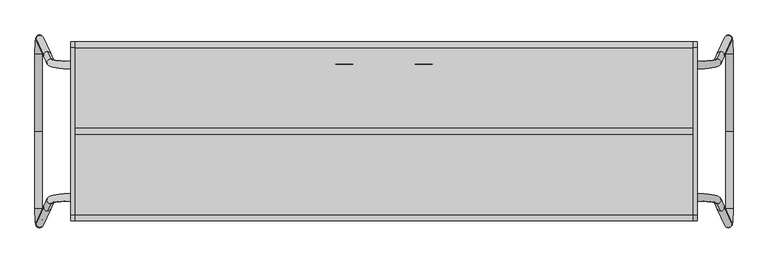
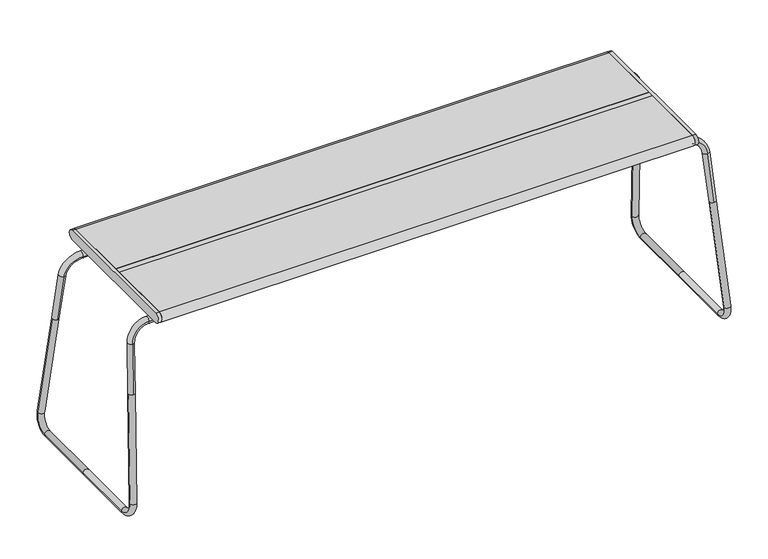
"""IFC4 building model written with IfcOpenShell, lengths in millimetres: furniture geometry."""

from ifc_helpers import new_model, si_unit, point, frame, frame_2d, origin, place, context, project, spatial, polyline, circle_curve, ellipse_curve, trimmed, segment, composite_curve, outline, extrude, source, transform, mapped, element, save
from ifc_brep_helpers import plane_surface, cylinder_surface, revolved_surface, advanced_brep


def furniture_2e3d0519(model_context):
    return source(origin(), model_context, "Body", "SolidModel", [
        advanced_brep(
        [(652.0893833, 146.9221139, 6.9830612), (666.0631114, 146.9221139, 7.8403365), (666.0631114, 0.0, 7.8403365), (652.0893833, 0.0, 6.9830612), (649.7617667, 145.7756717, 273.5549205), (663.9839473, 176.6603461, 41.7310526), (650.0102191, 176.6603461, 40.8737772), (635.7880386, 145.7756717, 272.6976452), (642.718402, 152.7145925, 274.0472525), (642.8314033, 138.8367508, 272.2053132), (666.0631114, -146.9221139, 7.8403365), (652.0893833, -146.9221139, 6.9830612), (635.7880386, -145.7756717, 272.6976452), (650.0102191, -176.6603461, 40.8737772), (663.9839473, -176.6603461, 41.7310526), (649.7617667, -145.7756717, 273.5549205), (642.718402, -152.7145925, 274.0472525), (642.8314033, -138.8367508, 272.2053132), (-7.1607797, -128.3127882, 418.0298446), (-7.0477784, -114.4349465, 416.1879053), (596.2033179, -133.1406739, 418.6706267), (596.3163192, -119.2628322, 416.8286874), (636.2412568, -124.5256874, 379.6257775), (636.1282556, -138.4035291, 381.4677169), (-7.1607797, 128.3127882, 418.0298446), (-7.0477784, 114.4349465, 416.1879053), (596.3163192, 119.2628322, 416.8286874), (596.2033179, 133.1406739, 418.6706267), (636.1282556, 138.4035291, 381.4677169), (636.2412568, 124.5256874, 379.6257775)],
        [
            (0, 1, circle_curve(frame((659.0762473, 146.9221139, 7.4116989), z_axis=(0.0, -1.0, 0.0), x_axis=(-0.9981234407813635, 0.0, -0.06123395269596682)), 7.0)),
            (1, 2),
            (2, 3, circle_curve(frame((659.0762473, 0.0, 7.4116989), z_axis=(0.0, 1.0, 0.0), x_axis=(-0.9981234407813635, 0.0, -0.06123395269596682)), 7.0)),
            (3, 0),
            (1, 0, circle_curve(frame((659.0762473, 146.9221139, 7.4116989), z_axis=(0.0, -1.0, 0.0), x_axis=(-0.9981234407813635, 0.0, -0.06123395269596682)), 7.0)),
            (3, 2, circle_curve(frame((659.0762473, 0.0, 7.4116989), z_axis=(0.0, 1.0, 0.0), x_axis=(-0.9981234407813635, 0.0, -0.06123395269596682)), 7.0)),
            (4, 5),
            (5, 6, circle_curve(frame((656.9970832, 176.6603461, 41.3024149), z_axis=(-0.060699650153115445, -0.13181445227108246, 0.9894142219736706), x_axis=(-0.9981234407813636, 0.0, -0.06123395269596687)), 7.0)),
            (6, 7),
            (7, 8, circle_curve(frame((642.7749026, 145.7756717, 273.1262828), z_axis=(0.060699650153115445, 0.13181445227108246, -0.9894142219736706), x_axis=(-0.9981234407813636, 0.0, -0.06123395269596687)), 7.0)),
            (8, 4, circle_curve(frame((642.7749026, 145.7756717, 273.1262828), z_axis=(0.060699650153115445, 0.13181445227108246, -0.9894142219736706), x_axis=(-0.9981234407813636, 0.0, -0.06123395269596687)), 7.0)),
            (4, 9, circle_curve(frame((642.7749026, 145.7756717, 273.1262828), z_axis=(0.060699650153115445, 0.13181445227108246, -0.9894142219736706), x_axis=(-0.9981234407813636, 0.0, -0.06123395269596687)), 7.0)),
            (9, 7, circle_curve(frame((642.7749026, 145.7756717, 273.1262828), z_axis=(0.060699650153115445, 0.13181445227108246, -0.9894142219736706), x_axis=(-0.9981234407813636, 0.0, -0.06123395269596687)), 7.0)),
            (6, 5, circle_curve(frame((656.9970832, 176.6603461, 41.3024149), z_axis=(-0.060699650153115445, -0.13181445227108246, 0.9894142219736706), x_axis=(-0.9981234407813636, 0.0, -0.06123395269596687)), 7.0)),
            (0, 6, circle_curve(frame((650.2523647, 146.9221139, 36.9267644), z_axis=(0.9981234407813636, 0.0, 0.061233952695966834), x_axis=(-0.00807151993501225, 0.9912744071005135, 0.1315670946455238)), 30.0)),
            (5, 1, circle_curve(frame((664.2260929, 146.9221139, 37.7840397), z_axis=(-0.9981234407813636, 0.0, -0.061233952695966834), x_axis=(-0.00807151993501225, 0.9912744071005135, 0.1315670946455238)), 30.0)),
            (10, 11, circle_curve(frame((659.0762473, -146.9221139, 7.4116989), z_axis=(0.0, 1.0, 0.0), x_axis=(-0.9981234407813635, 0.0, -0.06123395269596682)), 7.0)),
            (11, 3),
            (2, 10),
            (11, 10, circle_curve(frame((659.0762473, -146.9221139, 7.4116989), z_axis=(0.0, 1.0, 0.0), x_axis=(-0.9981234407813635, 0.0, -0.06123395269596682)), 7.0)),
            (12, 13),
            (13, 14, circle_curve(frame((656.9970832, -176.6603461, 41.3024149), z_axis=(-0.060699650153115445, 0.13181445227108246, 0.9894142219736706), x_axis=(-0.9981234407813636, 0.0, -0.06123395269596687)), 7.0)),
            (14, 15),
            (15, 16, circle_curve(frame((642.7749026, -145.7756717, 273.1262828), z_axis=(0.060699650153115445, -0.13181445227108246, -0.9894142219736706), x_axis=(-0.9981234407813636, 0.0, -0.06123395269596687)), 7.0)),
            (16, 12, circle_curve(frame((642.7749026, -145.7756717, 273.1262828), z_axis=(0.060699650153115445, -0.13181445227108246, -0.9894142219736706), x_axis=(-0.9981234407813636, 0.0, -0.06123395269596687)), 7.0)),
            (12, 17, circle_curve(frame((642.7749026, -145.7756717, 273.1262828), z_axis=(0.060699650153115445, -0.13181445227108246, -0.9894142219736706), x_axis=(-0.9981234407813636, 0.0, -0.06123395269596687)), 7.0)),
            (17, 15, circle_curve(frame((642.7749026, -145.7756717, 273.1262828), z_axis=(0.060699650153115445, -0.13181445227108246, -0.9894142219736706), x_axis=(-0.9981234407813636, 0.0, -0.06123395269596687)), 7.0)),
            (14, 13, circle_curve(frame((656.9970832, -176.6603461, 41.3024149), z_axis=(-0.060699650153115445, 0.13181445227108246, 0.9894142219736706), x_axis=(-0.9981234407813636, 0.0, -0.06123395269596687)), 7.0)),
            (10, 14, circle_curve(frame((664.2260929, -146.9221139, 37.7840397), z_axis=(-0.9981234407813636, 0.0, -0.061233952695966834), x_axis=(-0.00807151993501225, -0.9912744071005135, 0.1315670946455238)), 30.0)),
            (13, 11, circle_curve(frame((650.2523647, -146.9221139, 36.9267644), z_axis=(0.9981234407813636, 0.0, 0.061233952695966834), x_axis=(-0.00807151993501225, -0.9912744071005135, 0.1315670946455238)), 30.0)),
            (18, 19, circle_curve(frame((-7.104279, -121.3738674, 417.108875), z_axis=(-0.9999674247523961, 0.00800135178399419, -0.0010619810215162875), x_axis=(0.008071519935011484, 0.9912744071005137, -0.13156709464552196)), 7.0)),
            (19, 18, circle_curve(frame((-7.104279, -121.3738674, 417.108875), z_axis=(-0.9999674247523961, 0.00800135178399419, -0.0010619810215162875), x_axis=(0.008071519935011484, 0.9912744071005137, -0.13156709464552196)), 7.0)),
            (18, 20),
            (20, 21, circle_curve(frame((596.2598186, -126.201753, 417.7496571), z_axis=(-0.9999674247523961, 0.00800135178399419, -0.0010619810215162875), x_axis=(0.008071519935011484, 0.9912744071005137, -0.13156709464552196)), 7.0)),
            (21, 19),
            (21, 20, circle_curve(frame((596.2598186, -126.201753, 417.7496571), z_axis=(-0.9999674247523961, 0.00800135178399419, -0.0010619810215162875), x_axis=(0.008071519935011484, 0.9912744071005137, -0.13156709464552196)), 7.0)),
            (22, 23, circle_curve(frame((636.1847562, -131.4646083, 380.5467472), z_axis=(0.06069965015311546, -0.13181445227108082, -0.9894142219736709), x_axis=(0.008071519935011566, 0.9912744071005137, -0.13156709464552205)), 7.0)),
            (23, 16),
            (17, 22),
            (23, 22, circle_curve(frame((636.1847562, -131.4646083, 380.5467472), z_axis=(0.06069965015311546, -0.13181445227108082, -0.9894142219736709), x_axis=(0.008071519935011566, 0.9912744071005137, -0.13156709464552205)), 7.0)),
            (21, 22, circle_curve(frame((596.3163192, -124.5256874, 377.1764194), z_axis=(0.00807151993501147, 0.9912744071005138, -0.13156709464552202), x_axis=(0.0, 0.13157138061582319, 0.9913066991616906)), 40.0)),
            (23, 20, circle_curve(frame((596.2033179, -138.4035291, 379.0183588), z_axis=(-0.00807151993501147, -0.9912744071005138, 0.13156709464552202), x_axis=(0.0, 0.13157138061582319, 0.9913066991616906)), 40.0)),
            (24, 25, circle_curve(frame((-7.104279, 121.3738674, 417.108875), z_axis=(-0.9999674247523961, -0.00800135178399419, -0.0010619810215162875), x_axis=(0.008071519935011484, -0.9912744071005137, -0.13156709464552196)), 7.0)),
            (25, 24, circle_curve(frame((-7.104279, 121.3738674, 417.108875), z_axis=(-0.9999674247523961, -0.00800135178399419, -0.0010619810215162875), x_axis=(0.008071519935011484, -0.9912744071005137, -0.13156709464552196)), 7.0)),
            (25, 26),
            (26, 27, circle_curve(frame((596.2598186, 126.201753, 417.7496571), z_axis=(-0.9999674247523961, -0.00800135178399419, -0.0010619810215162875), x_axis=(0.008071519935011484, -0.9912744071005137, -0.13156709464552196)), 7.0)),
            (27, 24),
            (27, 26, circle_curve(frame((596.2598186, 126.201753, 417.7496571), z_axis=(-0.9999674247523961, -0.00800135178399419, -0.0010619810215162875), x_axis=(0.008071519935011484, -0.9912744071005137, -0.13156709464552196)), 7.0)),
            (28, 29, circle_curve(frame((636.1847562, 131.4646083, 380.5467472), z_axis=(0.06069965015311546, 0.13181445227108082, -0.9894142219736709), x_axis=(0.008071519935011566, -0.9912744071005137, -0.13156709464552205)), 7.0)),
            (29, 9),
            (8, 28),
            (29, 28, circle_curve(frame((636.1847562, 131.4646083, 380.5467472), z_axis=(0.06069965015311546, 0.13181445227108082, -0.9894142219736709), x_axis=(0.008071519935011566, -0.9912744071005137, -0.13156709464552205)), 7.0)),
            (27, 28, circle_curve(frame((596.2033179, 138.4035291, 379.0183588), z_axis=(-0.00807151993501147, 0.9912744071005138, 0.13156709464552202), x_axis=(0.0, -0.13157138061582319, 0.9913066991616906)), 40.0)),
            (29, 26, circle_curve(frame((596.3163192, 124.5256874, 377.1764194), z_axis=(0.00807151993501147, -0.9912744071005138, -0.13156709464552202), x_axis=(0.0, -0.13157138061582319, 0.9913066991616906)), 40.0)),
        ],
        [
            cylinder_surface(frame((659.0762473, 146.9221139, 7.4116989), z_axis=(0.0, 1.0, 0.0), x_axis=(-0.9981234407813635, 0.0, -0.06123395269596682)), 7.0),
            cylinder_surface(frame((642.7749026, 145.7756717, 273.1262828), z_axis=(-0.06069965015311546, -0.1318144522710825, 0.9894142219736708), x_axis=(-0.9981234407813636, 0.0, -0.06123395269596687)), 7.0),
            revolved_surface(trimmed(ellipse_curve(frame((656.9970832, 176.6603461, 41.3024149), z_axis=(-0.060699650153115424, -0.13181445227108227, 0.9894142219736707), x_axis=(-0.9981234407813636, 0.0, -0.06123395269596684)), 7.0, 7.0), [point((663.9839473, 176.6603461, 41.7310526))], [point((650.0102191, 176.6603461, 40.8737772))], True, "CARTESIAN"), (-72.3956945, 146.9221139, -7.4070277), (-0.9981234407813636, 0.0, -0.061233952695966834)),
            revolved_surface(trimmed(ellipse_curve(frame((656.9970832, 176.6603461, 41.3024149), z_axis=(-0.060699650153115424, -0.13181445227108227, 0.9894142219736707), x_axis=(-0.9981234407813636, 0.0, -0.06123395269596684)), 7.0, 7.0), [point((650.0102191, 176.6603461, 40.8737772))], [point((663.9839473, 176.6603461, 41.7310526))], True, "CARTESIAN"), (-72.3956945, 146.9221139, -7.4070277), (-0.9981234407813636, 0.0, -0.061233952695966834)),
            cylinder_surface(frame((659.0762473, -146.9221139, 7.4116989), z_axis=(0.0, -1.0, 0.0), x_axis=(-0.9981234407813635, 0.0, -0.06123395269596682)), 7.0),
            cylinder_surface(frame((642.7749026, -145.7756717, 273.1262828), z_axis=(-0.06069965015311546, 0.1318144522710825, 0.9894142219736708), x_axis=(-0.9981234407813636, 0.0, -0.06123395269596687)), 7.0),
            revolved_surface(trimmed(ellipse_curve(frame((656.9970832, -176.6603461, 41.3024149), z_axis=(-0.060699650153115424, 0.13181445227108227, 0.9894142219736707), x_axis=(-0.9981234407813636, 0.0, -0.06123395269596684)), 7.0, 7.0), [point((650.0102191, -176.6603461, 40.8737772))], [point((663.9839473, -176.6603461, 41.7310526))], True, "CARTESIAN"), (-72.3956945, -146.9221139, -7.4070277), (0.9981234407813636, 0.0, 0.061233952695966834)),
            revolved_surface(trimmed(ellipse_curve(frame((656.9970832, -176.6603461, 41.3024149), z_axis=(-0.060699650153115424, 0.13181445227108227, 0.9894142219736707), x_axis=(-0.9981234407813636, 0.0, -0.06123395269596684)), 7.0, 7.0), [point((663.9839473, -176.6603461, 41.7310526))], [point((650.0102191, -176.6603461, 40.8737772))], True, "CARTESIAN"), (-72.3956945, -146.9221139, -7.4070277), (0.9981234407813636, 0.0, 0.061233952695966834)),
            plane_surface(frame((-0.3527836, 703.839379, 277.3191951), z_axis=(-0.9999674247523962, 0.008001351783994175, -0.0010619810215162988), x_axis=(0.00807151993501147, 0.9912744071005137, -0.13156709464552202))),
            cylinder_surface(frame((-7.104279, -121.3738674, 417.108875), z_axis=(-0.9999674247523961, 0.00800135178399419, -0.0010619810215162875), x_axis=(0.008071519935011484, 0.9912744071005137, -0.13156709464552196)), 7.0),
            cylinder_surface(frame((636.1847562, -131.4646083, 380.5467472), z_axis=(-0.06069965015311546, 0.13181445227108082, 0.9894142219736709), x_axis=(0.008071519935011566, 0.9912744071005137, -0.13156709464552205)), 7.0),
            revolved_surface(trimmed(ellipse_curve(frame((596.2598186, -126.201753, 417.7496571), z_axis=(-0.9999674247523963, 0.008001351783994012, -0.0010619810215176484), x_axis=(0.008071519935011486, 0.9912744071005138, -0.131567094645522)), 7.0, 7.0), [point((596.3163192, -119.2628322, 416.8286874))], [point((596.2033179, -133.1406739, 418.6706267))], True, "CARTESIAN"), (603.011314, 697.6957795, 268.0469102), (0.00807151993501147, 0.9912744071005138, -0.13156709464552202)),
            revolved_surface(trimmed(ellipse_curve(frame((596.2598186, -126.201753, 417.7496571), z_axis=(-0.9999674247523963, 0.008001351783994012, -0.0010619810215176484), x_axis=(0.008071519935011486, 0.9912744071005138, -0.131567094645522)), 7.0, 7.0), [point((596.2033179, -133.1406739, 418.6706267))], [point((596.3163192, -119.2628322, 416.8286874))], True, "CARTESIAN"), (603.011314, 697.6957795, 268.0469102), (0.00807151993501147, 0.9912744071005138, -0.13156709464552202)),
            plane_surface(frame((-0.3527836, -703.839379, 277.3191951), z_axis=(-0.9999674247523962, -0.008001351783994175, -0.001061981021516299), x_axis=(0.008071519935011472, -0.9912744071005138, -0.13156709464552205))),
            cylinder_surface(frame((-7.104279, 121.3738674, 417.108875), z_axis=(-0.9999674247523961, -0.00800135178399419, -0.0010619810215162875), x_axis=(0.008071519935011484, -0.9912744071005137, -0.13156709464552196)), 7.0),
            cylinder_surface(frame((636.1847562, 131.4646083, 380.5467472), z_axis=(-0.06069965015311546, -0.13181445227108082, 0.9894142219736709), x_axis=(0.008071519935011566, -0.9912744071005137, -0.13156709464552205)), 7.0),
            revolved_surface(trimmed(ellipse_curve(frame((596.2598186, 126.201753, 417.7496571), z_axis=(-0.9999674247523963, -0.008001351783994012, -0.0010619810215176484), x_axis=(0.008071519935011486, -0.9912744071005138, -0.131567094645522)), 7.0, 7.0), [point((596.2033179, 133.1406739, 418.6706267))], [point((596.3163192, 119.2628322, 416.8286874))], True, "CARTESIAN"), (603.011314, -697.6957795, 268.0469102), (-0.00807151993501147, 0.9912744071005138, 0.13156709464552202)),
            revolved_surface(trimmed(ellipse_curve(frame((596.2598186, 126.201753, 417.7496571), z_axis=(-0.9999674247523963, -0.008001351783994012, -0.0010619810215176484), x_axis=(0.008071519935011486, -0.9912744071005138, -0.131567094645522)), 7.0, 7.0), [point((596.3163192, 119.2628322, 416.8286874))], [point((596.2033179, 133.1406739, 418.6706267))], True, "CARTESIAN"), (603.011314, -697.6957795, 268.0469102), (-0.00807151993501147, 0.9912744071005138, 0.13156709464552202)),
        ],
        [
            (0, [[1, 2, 3, 4]]),
            (0, [[-2, 5, -4, 6]]),
            (1, [[7, 8, 9, 10, 11]]),
            (1, [[-7, 12, 13, -9, 14]]),
            (2, [[-1, 15, -8, 16]]),
            (3, [[-5, -16, -14, -15]]),
            (4, [[17, 18, -3, 19]]),
            (4, [[-18, 20, -19, -6]]),
            (5, [[21, 22, 23, 24, 25]]),
            (5, [[-21, 26, 27, -23, 28]]),
            (6, [[-17, 29, -22, 30]]),
            (7, [[-20, -30, -28, -29]]),
            (8, [[31, 32]]),
            (9, [[-31, 33, 34, 35]]),
            (9, [[-32, -35, 36, -33]]),
            (10, [[37, 38, -24, -27, 39]]),
            (10, [[-38, 40, -39, -26, -25]]),
            (11, [[-36, 41, -40, 42]]),
            (12, [[-34, -42, -37, -41]]),
            (13, [[43, 44]]),
            (14, [[-44, 45, 46, 47]]),
            (14, [[-43, -47, 48, -45]]),
            (15, [[49, 50, -12, -11, 51]]),
            (15, [[-50, 52, -51, -10, -13]]),
            (16, [[-48, 53, -52, 54]]),
            (17, [[-46, -54, -49, -53]]),
        ],
    ),
        advanced_brep(
        [(-666.0631114, 146.9221139, 7.8403365), (-652.0893833, 146.9221139, 6.9830612), (-652.0893833, 0.0, 6.9830612), (-666.0631114, 0.0, 7.8403365), (-635.7880386, 145.7756717, 272.6976452), (-650.0102191, 176.6603461, 40.8737772), (-663.9839473, 176.6603461, 41.7310526), (-649.7617667, 145.7756717, 273.5549205), (-642.718402, 152.7145925, 274.0472525), (-642.8314033, 138.8367508, 272.2053132), (-652.0893833, -146.9221139, 6.9830612), (-666.0631114, -146.9221139, 7.8403365), (-649.7617667, -145.7756717, 273.5549205), (-663.9839473, -176.6603461, 41.7310526), (-650.0102191, -176.6603461, 40.8737772), (-635.7880386, -145.7756717, 272.6976452), (-642.718402, -152.7145925, 274.0472525), (-642.8314033, -138.8367508, 272.2053132), (7.1607797, -128.3127882, 418.0298446), (7.0477784, -114.4349465, 416.1879053), (-596.3163192, -119.2628322, 416.8286874), (-596.2033179, -133.1406739, 418.6706267), (-636.1282556, -138.4035291, 381.4677169), (-636.2412568, -124.5256874, 379.6257775), (7.1607797, 128.3127882, 418.0298446), (7.0477784, 114.4349465, 416.1879053), (-596.2033179, 133.1406739, 418.6706267), (-596.3163192, 119.2628322, 416.8286874), (-636.2412568, 124.5256874, 379.6257775), (-636.1282556, 138.4035291, 381.4677169)],
        [
            (0, 1, circle_curve(frame((-659.0762473, 146.9221139, 7.4116989), z_axis=(0.0, -1.0, 0.0), x_axis=(0.9981234407813635, 0.0, -0.06123395269596682)), 7.0)),
            (1, 2),
            (2, 3, circle_curve(frame((-659.0762473, 0.0, 7.4116989), z_axis=(0.0, 1.0, 0.0), x_axis=(0.9981234407813635, 0.0, -0.06123395269596682)), 7.0)),
            (3, 0),
            (1, 0, circle_curve(frame((-659.0762473, 146.9221139, 7.4116989), z_axis=(0.0, -1.0, 0.0), x_axis=(0.9981234407813635, 0.0, -0.06123395269596682)), 7.0)),
            (3, 2, circle_curve(frame((-659.0762473, 0.0, 7.4116989), z_axis=(0.0, 1.0, 0.0), x_axis=(0.9981234407813635, 0.0, -0.06123395269596682)), 7.0)),
            (4, 5),
            (5, 6, circle_curve(frame((-656.9970832, 176.6603461, 41.3024149), z_axis=(0.060699650153115445, -0.13181445227108246, 0.9894142219736706), x_axis=(0.9981234407813636, 0.0, -0.06123395269596687)), 7.0)),
            (6, 7),
            (7, 8, circle_curve(frame((-642.7749026, 145.7756717, 273.1262828), z_axis=(-0.060699650153115445, 0.13181445227108246, -0.9894142219736706), x_axis=(0.9981234407813636, 0.0, -0.06123395269596687)), 7.0)),
            (8, 4, circle_curve(frame((-642.7749026, 145.7756717, 273.1262828), z_axis=(-0.060699650153115445, 0.13181445227108246, -0.9894142219736706), x_axis=(0.9981234407813636, 0.0, -0.06123395269596687)), 7.0)),
            (4, 9, circle_curve(frame((-642.7749026, 145.7756717, 273.1262828), z_axis=(-0.060699650153115445, 0.13181445227108246, -0.9894142219736706), x_axis=(0.9981234407813636, 0.0, -0.06123395269596687)), 7.0)),
            (9, 7, circle_curve(frame((-642.7749026, 145.7756717, 273.1262828), z_axis=(-0.060699650153115445, 0.13181445227108246, -0.9894142219736706), x_axis=(0.9981234407813636, 0.0, -0.06123395269596687)), 7.0)),
            (6, 5, circle_curve(frame((-656.9970832, 176.6603461, 41.3024149), z_axis=(0.060699650153115445, -0.13181445227108246, 0.9894142219736706), x_axis=(0.9981234407813636, 0.0, -0.06123395269596687)), 7.0)),
            (0, 6, circle_curve(frame((-664.2260929, 146.9221139, 37.7840397), z_axis=(0.9981234407813636, 0.0, -0.061233952695966834), x_axis=(0.00807151993501225, 0.9912744071005135, 0.1315670946455238)), 30.0)),
            (5, 1, circle_curve(frame((-650.2523647, 146.9221139, 36.9267644), z_axis=(-0.9981234407813636, 0.0, 0.061233952695966834), x_axis=(0.00807151993501225, 0.9912744071005135, 0.1315670946455238)), 30.0)),
            (10, 11, circle_curve(frame((-659.0762473, -146.9221139, 7.4116989), z_axis=(0.0, 1.0, 0.0), x_axis=(0.9981234407813635, 0.0, -0.06123395269596682)), 7.0)),
            (11, 3),
            (2, 10),
            (11, 10, circle_curve(frame((-659.0762473, -146.9221139, 7.4116989), z_axis=(0.0, 1.0, 0.0), x_axis=(0.9981234407813635, 0.0, -0.06123395269596682)), 7.0)),
            (12, 13),
            (13, 14, circle_curve(frame((-656.9970832, -176.6603461, 41.3024149), z_axis=(0.060699650153115445, 0.13181445227108246, 0.9894142219736706), x_axis=(0.9981234407813636, 0.0, -0.06123395269596687)), 7.0)),
            (14, 15),
            (15, 16, circle_curve(frame((-642.7749026, -145.7756717, 273.1262828), z_axis=(-0.060699650153115445, -0.13181445227108246, -0.9894142219736706), x_axis=(0.9981234407813636, 0.0, -0.06123395269596687)), 7.0)),
            (16, 12, circle_curve(frame((-642.7749026, -145.7756717, 273.1262828), z_axis=(-0.060699650153115445, -0.13181445227108246, -0.9894142219736706), x_axis=(0.9981234407813636, 0.0, -0.06123395269596687)), 7.0)),
            (12, 17, circle_curve(frame((-642.7749026, -145.7756717, 273.1262828), z_axis=(-0.060699650153115445, -0.13181445227108246, -0.9894142219736706), x_axis=(0.9981234407813636, 0.0, -0.06123395269596687)), 7.0)),
            (17, 15, circle_curve(frame((-642.7749026, -145.7756717, 273.1262828), z_axis=(-0.060699650153115445, -0.13181445227108246, -0.9894142219736706), x_axis=(0.9981234407813636, 0.0, -0.06123395269596687)), 7.0)),
            (14, 13, circle_curve(frame((-656.9970832, -176.6603461, 41.3024149), z_axis=(0.060699650153115445, 0.13181445227108246, 0.9894142219736706), x_axis=(0.9981234407813636, 0.0, -0.06123395269596687)), 7.0)),
            (10, 14, circle_curve(frame((-650.2523647, -146.9221139, 36.9267644), z_axis=(-0.9981234407813636, 0.0, 0.061233952695966834), x_axis=(0.00807151993501225, -0.9912744071005135, 0.1315670946455238)), 30.0)),
            (13, 11, circle_curve(frame((-664.2260929, -146.9221139, 37.7840397), z_axis=(0.9981234407813636, 0.0, -0.061233952695966834), x_axis=(0.00807151993501225, -0.9912744071005135, 0.1315670946455238)), 30.0)),
            (18, 19, circle_curve(frame((7.104279, -121.3738674, 417.108875), z_axis=(0.9999674247523961, 0.00800135178399419, -0.0010619810215162875), x_axis=(-0.008071519935011484, 0.9912744071005137, -0.13156709464552196)), 7.0)),
            (19, 18, circle_curve(frame((7.104279, -121.3738674, 417.108875), z_axis=(0.9999674247523961, 0.00800135178399419, -0.0010619810215162875), x_axis=(-0.008071519935011484, 0.9912744071005137, -0.13156709464552196)), 7.0)),
            (19, 20),
            (20, 21, circle_curve(frame((-596.2598186, -126.201753, 417.7496571), z_axis=(0.9999674247523961, 0.00800135178399419, -0.0010619810215162875), x_axis=(-0.008071519935011484, 0.9912744071005137, -0.13156709464552196)), 7.0)),
            (21, 18),
            (21, 20, circle_curve(frame((-596.2598186, -126.201753, 417.7496571), z_axis=(0.9999674247523961, 0.00800135178399419, -0.0010619810215162875), x_axis=(-0.008071519935011484, 0.9912744071005137, -0.13156709464552196)), 7.0)),
            (22, 23, circle_curve(frame((-636.1847562, -131.4646083, 380.5467472), z_axis=(-0.06069965015311546, -0.13181445227108082, -0.9894142219736709), x_axis=(-0.008071519935011566, 0.9912744071005137, -0.13156709464552205)), 7.0)),
            (23, 17),
            (16, 22),
            (23, 22, circle_curve(frame((-636.1847562, -131.4646083, 380.5467472), z_axis=(-0.06069965015311546, -0.13181445227108082, -0.9894142219736709), x_axis=(-0.008071519935011566, 0.9912744071005137, -0.13156709464552205)), 7.0)),
            (21, 22, circle_curve(frame((-596.2033179, -138.4035291, 379.0183588), z_axis=(0.00807151993501147, -0.9912744071005138, 0.13156709464552202), x_axis=(0.0, 0.13157138061582319, 0.9913066991616906)), 40.0)),
            (23, 20, circle_curve(frame((-596.3163192, -124.5256874, 377.1764194), z_axis=(-0.00807151993501147, 0.9912744071005138, -0.13156709464552202), x_axis=(0.0, 0.13157138061582319, 0.9913066991616906)), 40.0)),
            (24, 25, circle_curve(frame((7.104279, 121.3738674, 417.108875), z_axis=(0.9999674247523961, -0.00800135178399419, -0.0010619810215162875), x_axis=(-0.008071519935011484, -0.9912744071005137, -0.13156709464552196)), 7.0)),
            (25, 24, circle_curve(frame((7.104279, 121.3738674, 417.108875), z_axis=(0.9999674247523961, -0.00800135178399419, -0.0010619810215162875), x_axis=(-0.008071519935011484, -0.9912744071005137, -0.13156709464552196)), 7.0)),
            (24, 26),
            (26, 27, circle_curve(frame((-596.2598186, 126.201753, 417.7496571), z_axis=(0.9999674247523961, -0.00800135178399419, -0.0010619810215162875), x_axis=(-0.008071519935011484, -0.9912744071005137, -0.13156709464552196)), 7.0)),
            (27, 25),
            (27, 26, circle_curve(frame((-596.2598186, 126.201753, 417.7496571), z_axis=(0.9999674247523961, -0.00800135178399419, -0.0010619810215162875), x_axis=(-0.008071519935011484, -0.9912744071005137, -0.13156709464552196)), 7.0)),
            (28, 29, circle_curve(frame((-636.1847562, 131.4646083, 380.5467472), z_axis=(-0.06069965015311546, 0.13181445227108082, -0.9894142219736709), x_axis=(-0.008071519935011566, -0.9912744071005137, -0.13156709464552205)), 7.0)),
            (29, 8),
            (9, 28),
            (29, 28, circle_curve(frame((-636.1847562, 131.4646083, 380.5467472), z_axis=(-0.06069965015311546, 0.13181445227108082, -0.9894142219736709), x_axis=(-0.008071519935011566, -0.9912744071005137, -0.13156709464552205)), 7.0)),
            (27, 28, circle_curve(frame((-596.3163192, 124.5256874, 377.1764194), z_axis=(-0.00807151993501147, -0.9912744071005138, -0.13156709464552202), x_axis=(0.0, -0.13157138061582319, 0.9913066991616906)), 40.0)),
            (29, 26, circle_curve(frame((-596.2033179, 138.4035291, 379.0183588), z_axis=(0.00807151993501147, 0.9912744071005138, 0.13156709464552202), x_axis=(0.0, -0.13157138061582319, 0.9913066991616906)), 40.0)),
        ],
        [
            cylinder_surface(frame((-659.0762473, 146.9221139, 7.4116989), z_axis=(0.0, 1.0, 0.0), x_axis=(0.9981234407813635, 0.0, -0.06123395269596682)), 7.0),
            cylinder_surface(frame((-642.7749026, 145.7756717, 273.1262828), z_axis=(0.06069965015311546, -0.1318144522710825, 0.9894142219736708), x_axis=(0.9981234407813636, 0.0, -0.06123395269596687)), 7.0),
            revolved_surface(trimmed(ellipse_curve(frame((-656.9970832, 176.6603461, 41.3024149), z_axis=(0.06069965015311543, -0.13181445227108227, 0.9894142219736707), x_axis=(0.9981234407813636, 0.0, -0.06123395269596685)), 7.0, 7.0), [point((-650.0102191, 176.6603461, 40.8737772))], [point((-663.9839473, 176.6603461, 41.7310526))], True, "CARTESIAN"), (72.3956945, 146.9221139, -7.4070277), (-0.9981234407813636, 0.0, 0.061233952695966834)),
            revolved_surface(trimmed(ellipse_curve(frame((-656.9970832, 176.6603461, 41.3024149), z_axis=(0.06069965015311543, -0.13181445227108227, 0.9894142219736707), x_axis=(0.9981234407813636, 0.0, -0.06123395269596685)), 7.0, 7.0), [point((-663.9839473, 176.6603461, 41.7310526))], [point((-650.0102191, 176.6603461, 40.8737772))], True, "CARTESIAN"), (72.3956945, 146.9221139, -7.4070277), (-0.9981234407813636, 0.0, 0.061233952695966834)),
            cylinder_surface(frame((-659.0762473, -146.9221139, 7.4116989), z_axis=(0.0, -1.0, 0.0), x_axis=(0.9981234407813635, 0.0, -0.06123395269596682)), 7.0),
            cylinder_surface(frame((-642.7749026, -145.7756717, 273.1262828), z_axis=(0.06069965015311546, 0.1318144522710825, 0.9894142219736708), x_axis=(0.9981234407813636, 0.0, -0.06123395269596687)), 7.0),
            revolved_surface(trimmed(ellipse_curve(frame((-656.9970832, -176.6603461, 41.3024149), z_axis=(0.06069965015311543, 0.13181445227108227, 0.9894142219736707), x_axis=(0.9981234407813636, 0.0, -0.06123395269596685)), 7.0, 7.0), [point((-663.9839473, -176.6603461, 41.7310526))], [point((-650.0102191, -176.6603461, 40.8737772))], True, "CARTESIAN"), (72.3956945, -146.9221139, -7.4070277), (0.9981234407813636, 0.0, -0.061233952695966834)),
            revolved_surface(trimmed(ellipse_curve(frame((-656.9970832, -176.6603461, 41.3024149), z_axis=(0.06069965015311543, 0.13181445227108227, 0.9894142219736707), x_axis=(0.9981234407813636, 0.0, -0.06123395269596685)), 7.0, 7.0), [point((-650.0102191, -176.6603461, 40.8737772))], [point((-663.9839473, -176.6603461, 41.7310526))], True, "CARTESIAN"), (72.3956945, -146.9221139, -7.4070277), (0.9981234407813636, 0.0, -0.061233952695966834)),
            plane_surface(frame((0.3527836, 703.839379, 277.3191951), z_axis=(0.9999674247523962, 0.008001351783994174, -0.0010619810215162988), x_axis=(-0.00807151993501147, 0.9912744071005138, -0.13156709464552202))),
            cylinder_surface(frame((7.104279, -121.3738674, 417.108875), z_axis=(0.9999674247523961, 0.00800135178399419, -0.0010619810215162875), x_axis=(-0.008071519935011484, 0.9912744071005137, -0.13156709464552196)), 7.0),
            cylinder_surface(frame((-636.1847562, -131.4646083, 380.5467472), z_axis=(0.06069965015311546, 0.13181445227108082, 0.9894142219736709), x_axis=(-0.008071519935011566, 0.9912744071005137, -0.13156709464552205)), 7.0),
            revolved_surface(trimmed(ellipse_curve(frame((-596.2598186, -126.201753, 417.7496571), z_axis=(0.9999674247523963, 0.008001351783994012, -0.0010619810215176484), x_axis=(-0.008071519935011486, 0.9912744071005138, -0.131567094645522)), 7.0, 7.0), [point((-596.2033179, -133.1406739, 418.6706267))], [point((-596.3163192, -119.2628322, 416.8286874))], True, "CARTESIAN"), (-603.011314, 697.6957795, 268.0469102), (0.00807151993501147, -0.9912744071005138, 0.13156709464552202)),
            revolved_surface(trimmed(ellipse_curve(frame((-596.2598186, -126.201753, 417.7496571), z_axis=(0.9999674247523963, 0.008001351783994012, -0.0010619810215176484), x_axis=(-0.008071519935011486, 0.9912744071005138, -0.131567094645522)), 7.0, 7.0), [point((-596.3163192, -119.2628322, 416.8286874))], [point((-596.2033179, -133.1406739, 418.6706267))], True, "CARTESIAN"), (-603.011314, 697.6957795, 268.0469102), (0.00807151993501147, -0.9912744071005138, 0.13156709464552202)),
            plane_surface(frame((0.3527836, -703.839379, 277.3191951), z_axis=(0.9999674247523962, -0.008001351783994175, -0.0010619810215162988), x_axis=(-0.00807151993501147, -0.9912744071005137, -0.13156709464552202))),
            cylinder_surface(frame((7.104279, 121.3738674, 417.108875), z_axis=(0.9999674247523961, -0.00800135178399419, -0.0010619810215162875), x_axis=(-0.008071519935011484, -0.9912744071005137, -0.13156709464552196)), 7.0),
            cylinder_surface(frame((-636.1847562, 131.4646083, 380.5467472), z_axis=(0.06069965015311546, -0.13181445227108082, 0.9894142219736709), x_axis=(-0.008071519935011566, -0.9912744071005137, -0.13156709464552205)), 7.0),
            revolved_surface(trimmed(ellipse_curve(frame((-596.2598186, 126.201753, 417.7496571), z_axis=(0.9999674247523963, -0.008001351783994012, -0.0010619810215176484), x_axis=(-0.008071519935011486, -0.9912744071005138, -0.131567094645522)), 7.0, 7.0), [point((-596.3163192, 119.2628322, 416.8286874))], [point((-596.2033179, 133.1406739, 418.6706267))], True, "CARTESIAN"), (-603.011314, -697.6957795, 268.0469102), (-0.00807151993501147, -0.9912744071005138, -0.13156709464552202)),
            revolved_surface(trimmed(ellipse_curve(frame((-596.2598186, 126.201753, 417.7496571), z_axis=(0.9999674247523963, -0.008001351783994012, -0.0010619810215176484), x_axis=(-0.008071519935011486, -0.9912744071005138, -0.131567094645522)), 7.0, 7.0), [point((-596.2033179, 133.1406739, 418.6706267))], [point((-596.3163192, 119.2628322, 416.8286874))], True, "CARTESIAN"), (-603.011314, -697.6957795, 268.0469102), (-0.00807151993501147, -0.9912744071005138, -0.13156709464552202)),
        ],
        [
            (0, [[1, 2, 3, 4]]),
            (0, [[-2, 5, -4, 6]]),
            (1, [[7, 8, 9, 10, 11]]),
            (1, [[-7, 12, 13, -9, 14]]),
            (2, [[-1, 15, -8, 16]]),
            (3, [[-5, -16, -14, -15]]),
            (4, [[17, 18, -3, 19]]),
            (4, [[-18, 20, -19, -6]]),
            (5, [[21, 22, 23, 24, 25]]),
            (5, [[-21, 26, 27, -23, 28]]),
            (6, [[-17, 29, -22, 30]]),
            (7, [[-20, -30, -28, -29]]),
            (8, [[31, 32]]),
            (9, [[-32, 33, 34, 35]]),
            (9, [[-31, -35, 36, -33]]),
            (10, [[37, 38, -26, -25, 39]]),
            (10, [[-38, 40, -39, -24, -27]]),
            (11, [[-36, 41, -40, 42]]),
            (12, [[-34, -42, -37, -41]]),
            (13, [[43, 44]]),
            (14, [[-43, 45, 46, 47]]),
            (14, [[-44, -47, 48, -45]]),
            (15, [[49, 50, -10, -13, 51]]),
            (15, [[-50, 52, -51, -12, -11]]),
            (16, [[-48, 53, -52, 54]]),
            (17, [[-46, -54, -49, -53]]),
        ],
    ),
        extrude(outline(composite_curve([segment(polyline([(-509.2493405, 118.2077203), (-509.2493405, -118.2077936)]), True, "CONTINUOUS"), segment(trimmed(circle_curve(frame_2d((-526.5415836, -118.2077936)), 17.2922431), [point((-509.2493405, -118.2077936))], [point((-543.8338267, -118.2077936))], False, "CARTESIAN"), True, "CONTINUOUS"), segment(polyline([(-543.8338267, -118.2077936), (-543.8338267, -109.5000366)]), True, "CONTINUOUS"), segment(trimmed(circle_curve(frame_2d((-548.8338267, -109.5000366)), 5.0), [point((-543.8338267, -109.5000366))], [point((-548.8338267, -104.5000366))], True, "CARTESIAN"), True, "CONTINUOUS"), segment(polyline([(-548.8338267, -104.5000366), (-574.0482024, -104.5000366)]), True, "CONTINUOUS"), segment(trimmed(circle_curve(frame_2d((-574.0482024, -101.5000366)), 3.0), [point((-574.0482024, -104.5000366))], [point((-577.0482024, -101.5000366))], False, "CARTESIAN"), True, "CONTINUOUS"), segment(polyline([(-577.0482024, -101.5000366), (-577.0482024, -71.5000366)]), True, "CONTINUOUS"), segment(trimmed(circle_curve(frame_2d((-574.0482024, -71.5000366)), 3.0), [point((-577.0482024, -71.5000366))], [point((-574.0482024, -68.5000366))], False, "CARTESIAN"), True, "CONTINUOUS"), segment(polyline([(-574.0482024, -68.5000366), (-548.8338267, -68.5000366)]), True, "CONTINUOUS"), segment(trimmed(circle_curve(frame_2d((-548.8338267, -63.5000366)), 5.0), [point((-548.8338267, -68.5000366))], [point((-543.8338267, -63.5000366))], True, "CARTESIAN"), True, "CONTINUOUS"), segment(polyline([(-543.8338267, -63.5000366), (-543.8338267, 63.4999634)]), True, "CONTINUOUS"), segment(trimmed(circle_curve(frame_2d((-548.8338267, 63.4999634)), 5.0), [point((-543.8338267, 63.4999634))], [point((-548.8338267, 68.4999634))], True, "CARTESIAN"), True, "CONTINUOUS"), segment(polyline([(-548.8338267, 68.4999634), (-574.0482024, 68.4999634)]), True, "CONTINUOUS"), segment(trimmed(circle_curve(frame_2d((-574.0482024, 71.4999634)), 3.0), [point((-574.0482024, 68.4999634))], [point((-577.0482024, 71.4999634))], False, "CARTESIAN"), True, "CONTINUOUS"), segment(polyline([(-577.0482024, 71.4999634), (-577.0482024, 101.4999634)]), True, "CONTINUOUS"), segment(trimmed(circle_curve(frame_2d((-574.0482024, 101.4999634)), 3.0), [point((-577.0482024, 101.4999634))], [point((-574.0482024, 104.4999634))], False, "CARTESIAN"), True, "CONTINUOUS"), segment(polyline([(-574.0482024, 104.4999634), (-548.8338267, 104.4999634)]), True, "CONTINUOUS"), segment(trimmed(circle_curve(frame_2d((-548.8338267, 109.4999634)), 5.0), [point((-548.8338267, 104.4999634))], [point((-543.8338267, 109.4999634))], True, "CARTESIAN"), True, "CONTINUOUS"), segment(polyline([(-543.8338267, 109.4999634), (-543.8338267, 118.2077203)]), True, "CONTINUOUS"), segment(trimmed(circle_curve(frame_2d((-526.5415836, 118.2077203)), 17.2922431), [point((-543.8338267, 118.2077203))], [point((-509.2493405, 118.2077203))], False, "CARTESIAN"), True, "CONTINUOUS")], self_intersect=False)), frame((0.0, 0.0, 424.6430486), z_axis=(0.0, 0.0, 1.0), x_axis=(1.0, 0.0, 0.0)), (0.0, 0.0, 1.0), 7.2981298),
        extrude(outline(polyline([(17.2906304, 119.3915416), (17.2906304, -119.3915422), (-17.2903684, -119.3915422), (-17.2903684, 119.3915416), (17.2906304, 119.3915416)])), frame((0.0, 0.0, 424.6430486), z_axis=(0.0, 0.0, 1.0), x_axis=(1.0, 0.0, 0.0)), (0.0, 0.0, 1.0), 7.2981298),
        extrude(outline(composite_curve([segment(polyline([(543.8339876, 63.4999634), (543.8339876, -63.5000366)]), True, "CONTINUOUS"), segment(trimmed(circle_curve(frame_2d((548.8339876, -63.5000366)), 5.0), [point((543.8339876, -63.5000366))], [point((548.8339876, -68.5000366))], True, "CARTESIAN"), True, "CONTINUOUS"), segment(polyline([(548.8339876, -68.5000366), (574.0483633, -68.5000366)]), True, "CONTINUOUS"), segment(trimmed(circle_curve(frame_2d((574.0483633, -71.5000366)), 3.0), [point((574.0483633, -68.5000366))], [point((577.0483633, -71.5000366))], False, "CARTESIAN"), True, "CONTINUOUS"), segment(polyline([(577.0483633, -71.5000366), (577.0483633, -101.5000366)]), True, "CONTINUOUS"), segment(trimmed(circle_curve(frame_2d((574.0483633, -101.5000366)), 3.0), [point((577.0483633, -101.5000366))], [point((574.0483633, -104.5000366))], False, "CARTESIAN"), True, "CONTINUOUS"), segment(polyline([(574.0483633, -104.5000366), (548.8339876, -104.5000366)]), True, "CONTINUOUS"), segment(trimmed(circle_curve(frame_2d((548.8339876, -109.5000366)), 5.0), [point((548.8339876, -104.5000366))], [point((543.8339876, -109.5000366))], True, "CARTESIAN"), True, "CONTINUOUS"), segment(polyline([(543.8339876, -109.5000366), (543.8339876, -118.2077936)]), True, "CONTINUOUS"), segment(trimmed(circle_curve(frame_2d((526.5417445, -118.2077936)), 17.2922431), [point((543.8339876, -118.2077936))], [point((509.2495015, -118.2077936))], False, "CARTESIAN"), True, "CONTINUOUS"), segment(polyline([(509.2495015, -118.2077936), (509.2495015, 118.2077203)]), True, "CONTINUOUS"), segment(trimmed(circle_curve(frame_2d((526.5417445, 118.2077203)), 17.2922431), [point((509.2495015, 118.2077203))], [point((543.8339876, 118.2077203))], False, "CARTESIAN"), True, "CONTINUOUS"), segment(polyline([(543.8339876, 118.2077203), (543.8339876, 109.4999634)]), True, "CONTINUOUS"), segment(trimmed(circle_curve(frame_2d((548.8339876, 109.4999634)), 5.0), [point((543.8339876, 109.4999634))], [point((548.8339876, 104.4999634))], True, "CARTESIAN"), True, "CONTINUOUS"), segment(polyline([(548.8339876, 104.4999634), (574.0483633, 104.4999634)]), True, "CONTINUOUS"), segment(trimmed(circle_curve(frame_2d((574.0483633, 101.4999634)), 3.0), [point((574.0483633, 104.4999634))], [point((577.0483633, 101.4999634))], False, "CARTESIAN"), True, "CONTINUOUS"), segment(polyline([(577.0483633, 101.4999634), (577.0483633, 71.4999634)]), True, "CONTINUOUS"), segment(trimmed(circle_curve(frame_2d((574.0483633, 71.4999634)), 3.0), [point((577.0483633, 71.4999634))], [point((574.0483633, 68.4999634))], False, "CARTESIAN"), True, "CONTINUOUS"), segment(polyline([(574.0483633, 68.4999634), (548.8339876, 68.4999634)]), True, "CONTINUOUS"), segment(trimmed(circle_curve(frame_2d((548.8339876, 63.4999634)), 5.0), [point((548.8339876, 68.4999634))], [point((543.8339876, 63.4999634))], True, "CARTESIAN"), True, "CONTINUOUS")], self_intersect=False)), frame((0.0, 0.0, 424.6430486), z_axis=(0.0, 0.0, 1.0), x_axis=(1.0, 0.0, 0.0)), (0.0, 0.0, 1.0), 7.2981298),
        extrude(outline(composite_curve([segment(polyline([(-6.4998248, 453.9412819), (-6.5001752, 431.9412819), (-159.5001752, 431.9437187)]), True, "CONTINUOUS"), segment(trimmed(circle_curve(frame_2d((-159.5, 442.9437187)), 11.0), [point((-159.5001752, 431.9437187))], [point((-159.4998248, 453.9437187))], False, "CARTESIAN"), True, "CONTINUOUS"), segment(polyline([(-159.4998248, 453.9437187), (-6.4998248, 453.9412819)]), True, "CONTINUOUS")], self_intersect=False)), frame((-589.5000744, 0.0, 0.0), z_axis=(1.0, 0.0, 0.0), x_axis=(0.0, 1.0, 0.0)), (0.0, 0.0, 1.0), 1179.0001489),
        extrude(outline(composite_curve([segment(polyline([(6.4998248, 453.9412819), (159.4998248, 453.9437187)]), True, "CONTINUOUS"), segment(trimmed(circle_curve(frame_2d((159.5, 442.9437187)), 11.0), [point((159.4998248, 453.9437187))], [point((159.5001752, 431.9437187))], False, "CARTESIAN"), True, "CONTINUOUS"), segment(polyline([(159.5001752, 431.9437187), (6.5001752, 431.9412819), (6.4998248, 453.9412819)]), True, "CONTINUOUS")], self_intersect=False)), frame((-589.5000744, 0.0, 0.0), z_axis=(1.0, 0.0, 0.0), x_axis=(0.0, 1.0, 0.0)), (0.0, 0.0, 1.0), 1179.0001489),
        extrude(outline(polyline([(589.5000744, 6.5001752), (589.5000744, -6.5001752), (-589.5000744, -6.5001752), (-589.5000744, 6.5001752), (589.5000744, 6.5001752)])), frame((0.0, 0.0, 431.9414107), z_axis=(0.0, 0.0, 1.0), x_axis=(1.0, 0.0, 0.0)), (0.0, 0.0, 1.0), 22.0),
        extrude(outline(composite_curve([segment(trimmed(circle_curve(frame_2d((159.5, 442.9414107)), 11.0), [point((159.5, 453.9414107))], [point((159.5, 431.9414107))], False, "CARTESIAN"), True, "CONTINUOUS"), segment(polyline([(159.5, 431.9414107), (-159.5, 431.9414107)]), True, "CONTINUOUS"), segment(trimmed(circle_curve(frame_2d((-159.5, 442.9414107)), 11.0), [point((-159.5, 431.9414107))], [point((-159.5, 453.9414107))], False, "CARTESIAN"), True, "CONTINUOUS"), segment(polyline([(-159.5, 453.9414107), (159.5, 453.9414107)]), True, "CONTINUOUS")], self_intersect=False)), frame((589.5000744, 0.0, 0.0), z_axis=(1.0, 0.0, 0.0), x_axis=(0.0, 1.0, 0.0)), (0.0, 0.0, 1.0), 8.0),
        extrude(outline(composite_curve([segment(trimmed(circle_curve(frame_2d((159.5, 442.9414107)), 11.0), [point((159.5, 453.9414107))], [point((159.5, 431.9414107))], False, "CARTESIAN"), True, "CONTINUOUS"), segment(polyline([(159.5, 431.9414107), (-159.5, 431.9414107)]), True, "CONTINUOUS"), segment(trimmed(circle_curve(frame_2d((-159.5, 442.9414107)), 11.0), [point((-159.5, 431.9414107))], [point((-159.5, 453.9414107))], False, "CARTESIAN"), True, "CONTINUOUS"), segment(polyline([(-159.5, 453.9414107), (159.5, 453.9414107)]), True, "CONTINUOUS")], self_intersect=False)), frame((-597.5000744, 0.0, 0.0), z_axis=(1.0, 0.0, 0.0), x_axis=(0.0, 1.0, 0.0)), (0.0, 0.0, 1.0), 8.0),
    ])


if __name__ == "__main__":
    model = new_model("IFC4")
    model_context = context("Model", 3, world=origin())
    ifc_project = project(units=[si_unit("LENGTHUNIT", "METRE", prefix="MILLI")], contexts=[model_context])
    site = spatial("IfcSite", under=ifc_project)
    building = spatial("IfcBuilding", under=site)
    placement = place(None, origin())
    furniture_shape = furniture_2e3d0519(model_context)
    element("IfcFurniture", 1, at=placement, inside=building, context=model_context, shape_type="MappedRepresentation", body=[
        mapped(furniture_shape, transform((0.0, 0.0, 0.0), x_axis=(1.0, 0.0, 0.0), y_axis=(0.0, 1.0, 0.0), z_axis=(0.0, 0.0, 1.0))),
    ])
    save(model, "model.ifc")
